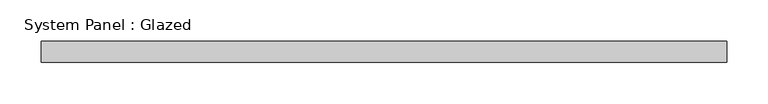
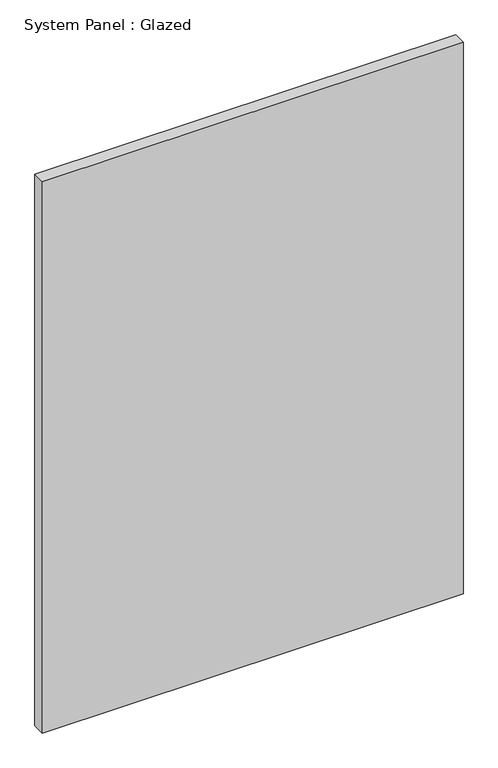
"""IFC4 building model written with IfcOpenShell, lengths in millimetres: plate geometry, System Panel : Glazed."""

from ifc_helpers import new_model, si_unit, origin, origin_with_axes, place, context, project, spatial, polyline, outline, extrude, source, transform, mapped, element, save


def system_panel_glazed_848fa0b6(model_context):
    return source(origin(), model_context, "Body", "SweptSolid", [
        extrude(outline(polyline([(414.3482701, -12.7), (-414.3482701, -12.7), (-414.3482701, 12.7), (414.3482701, 12.7), (414.3482701, -12.7)])), origin_with_axes(), (0.0, 0.0, 1.0), 1148.5626254),
    ])


if __name__ == "__main__":
    model = new_model("IFC4")
    model_context = context("Model", 3, world=origin())
    ifc_project = project(units=[si_unit("LENGTHUNIT", "METRE", prefix="MILLI")], contexts=[model_context])
    site = spatial("IfcSite", under=ifc_project)
    building = spatial("IfcBuilding", under=site)
    placement = place(None, origin())
    system_panel_glazed_shape = system_panel_glazed_848fa0b6(model_context)
    element("IfcPlate", 1, ObjectType="System Panel : Glazed", at=placement, inside=building, context=model_context, shape_type="MappedRepresentation", body=[
        mapped(system_panel_glazed_shape, transform((0.0, 0.0, 0.0), x_axis=(1.0, 0.0, 0.0), y_axis=(0.0, 1.0, 0.0), z_axis=(0.0, 0.0, 1.0))),
    ])
    save(model, "model.ifc")
